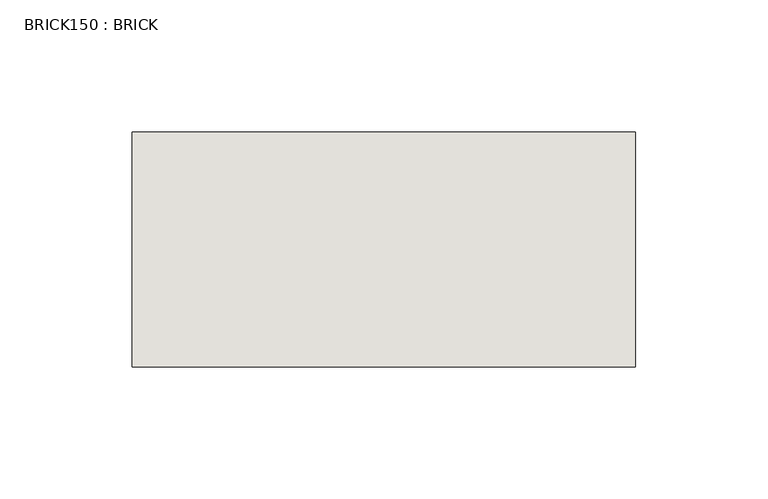
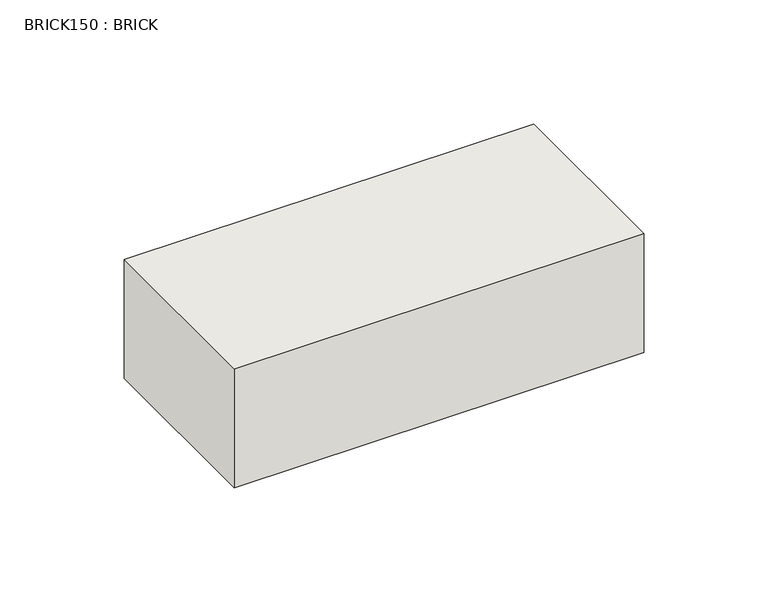
"""IFC4 building model written with IfcOpenShell, lengths in millimetres: wall geometry, BRICK150 : BRICK."""

from ifc_helpers import new_model, si_unit, frame, origin, place, context, project, spatial, polyline, outline, extrude, source, transform, mapped, element, save


def brick150_brick_f29c8f27(model_context):
    return source(origin(), model_context, "Body", "SweptSolid", [
        extrude(outline(polyline([(-80.6727406, 2586.2274125), (109.8272594, 2586.2274125), (109.8272594, 2497.3274125), (-80.6727406, 2497.3274125), (-80.6727406, 2586.2274125)])), frame((0.0, 0.0, 283.5671875), z_axis=(0.0, 0.0, 1.0), x_axis=(1.0, 0.0, 0.0)), (0.0, 0.0, 1.0), 58.4398437),
    ])


if __name__ == "__main__":
    model = new_model("IFC4")
    model_context = context("Model", 3, world=origin())
    ifc_project = project(units=[si_unit("LENGTHUNIT", "METRE", prefix="MILLI")], contexts=[model_context])
    site = spatial("IfcSite", under=ifc_project)
    building = spatial("IfcBuilding", under=site)
    placement = place(None, origin())
    brick150_brick_shape = brick150_brick_f29c8f27(model_context)
    element("IfcWall", 1, ObjectType="BRICK150 : BRICK", at=placement, inside=building, context=model_context, shape_type="MappedRepresentation", body=[
        mapped(brick150_brick_shape, transform((0.0, 0.0, 0.0), x_axis=(1.0, 0.0, 0.0), y_axis=(0.0, 1.0, 0.0), z_axis=(0.0, 0.0, 1.0))),
    ])
    save(model, "model.ifc")
